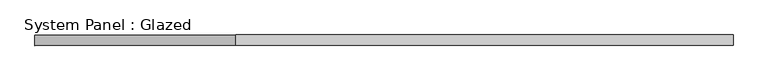
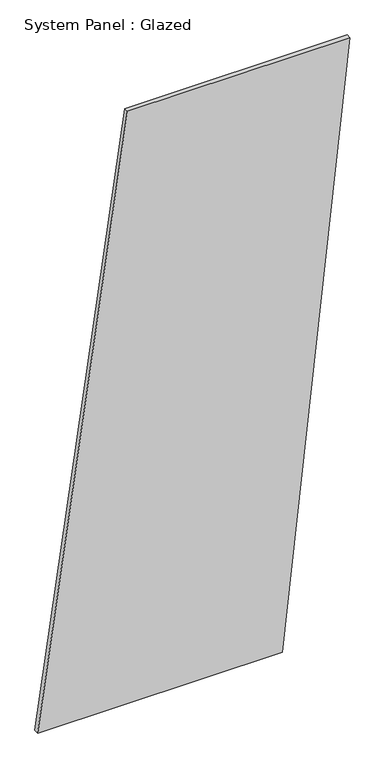
"""IFC4 building model written with IfcOpenShell, lengths in millimetres: plate geometry, System Panel : Glazed."""

from ifc_helpers import new_model, si_unit, frame, origin, place, context, project, spatial, polyline, outline, extrude, source, transform, mapped, element, save


def system_panel_glazed_2e4a7d85(model_context):
    return source(origin(), model_context, "Body", "SweptSolid", [
        extrude(outline(polyline([(0.0, -831.2290845), (0.0, 472.5678354), (3334.6905248, 831.2290845), (3334.6905248, -353.0140857), (0.0, -831.2290845)])), frame((0.0, -49.5, 0.0), z_axis=(0.0, 1.0, 0.0), x_axis=(0.0, 0.0, 1.0)), (0.0, 0.0, 1.0), 25.0),
    ])


if __name__ == "__main__":
    model = new_model("IFC4")
    model_context = context("Model", 3, world=origin())
    ifc_project = project(units=[si_unit("LENGTHUNIT", "METRE", prefix="MILLI")], contexts=[model_context])
    site = spatial("IfcSite", under=ifc_project)
    building = spatial("IfcBuilding", under=site)
    placement = place(None, origin())
    system_panel_glazed_shape = system_panel_glazed_2e4a7d85(model_context)
    element("IfcPlate", 1, ObjectType="System Panel : Glazed", at=placement, inside=building, context=model_context, shape_type="MappedRepresentation", body=[
        mapped(system_panel_glazed_shape, transform((0.0, 0.0, 0.0), x_axis=(1.0, 0.0, 0.0), y_axis=(0.0, 1.0, 0.0), z_axis=(0.0, 0.0, 1.0))),
    ])
    save(model, "model.ifc")
